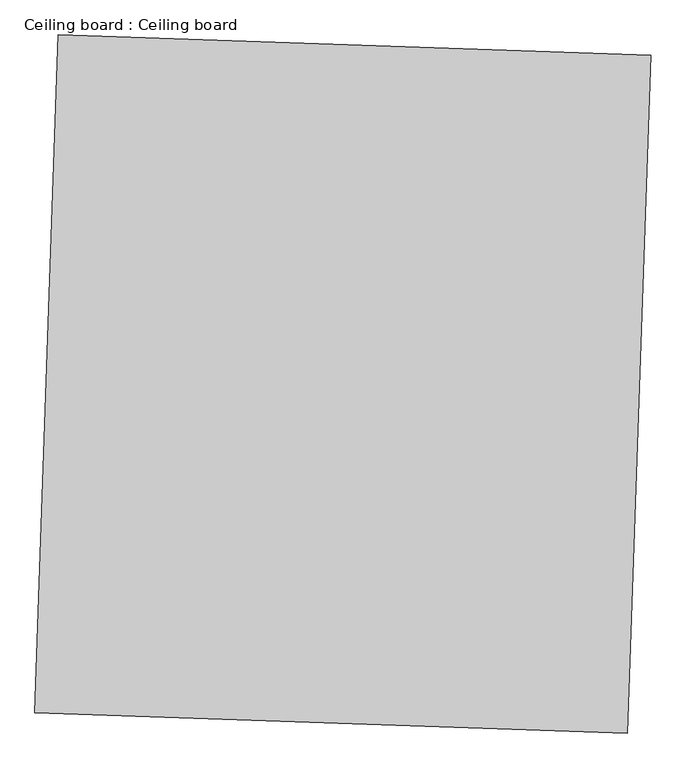
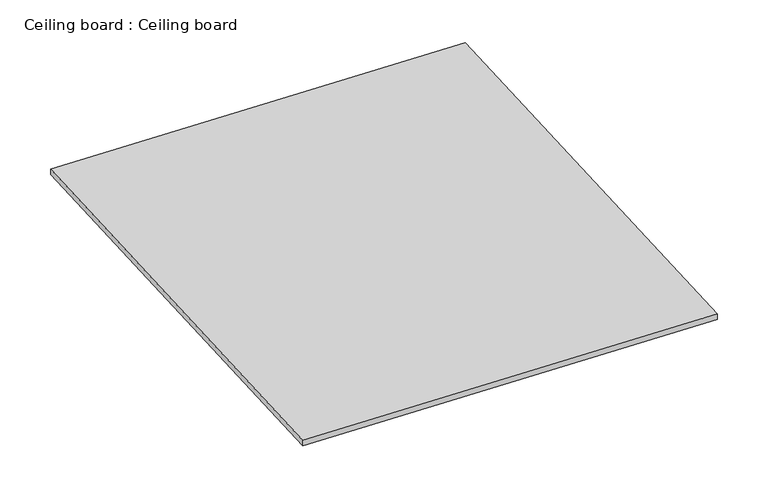
"""IFC4 building model written with IfcOpenShell, lengths in millimetres: proxy geometry, Ceiling board : Ceiling board."""

import ifcopenshell
import ifcopenshell.guid

model = None  # the IFC model being written
_history = None  # IfcOwnerHistory: only IFC2X3 demands one
_inside = {}  # id of a spatial element -> (the spatial element, [elements in it])
_under = {}  # id of a project, library or spatial element -> (it, [spatial elements below it])
_declared = {}  # id of a project -> (the project, [libraries it declares])
_typed = {}  # id of a type object -> (the type object, [elements of that type])
_made_of = {}  # id of a material, layer set ... -> (it, [elements and type objects made of it])


def new_model(schema):
    """Start an empty IFC model of exactly this schema.

    Asked for "IFC4X3", IfcOpenShell would pick the latest addendum, in which some entities
    have other attributes; the version numbers below select the first issue.
    IFC2X3 requires an IfcOwnerHistory on every rooted entity: one is made here for all.
    """
    global model, _history
    if schema == "IFC4X3":
        model = ifcopenshell.file(schema_version=(4, 3, 0, 0))
    else:
        model = ifcopenshell.file(schema=schema)
    _inside.clear()
    _under.clear()
    _declared.clear()
    _typed.clear()
    _made_of.clear()
    _history = None
    if model.schema == "IFC2X3":
        org = make("IfcOrganization", Name="unknown")
        user = make(
            "IfcPersonAndOrganization",
            ThePerson=make("IfcPerson", FamilyName="unknown"),
            TheOrganization=org,
        )
        app = make(
            "IfcApplication",
            ApplicationDeveloper=org,
            Version="unknown",
            ApplicationFullName="unknown",
            ApplicationIdentifier="unknown",
        )
        _history = make(
            "IfcOwnerHistory",
            OwningUser=user,
            OwningApplication=app,
            ChangeAction="ADDED",
            CreationDate=0,
        )
    return model


def make(cls, **values):
    """One entity of the class cls with the attributes given. An attribute that is None is left unset."""
    return model.create_entity(
        cls, **{name: value for name, value in values.items() if value is not None}
    )


def rooted(cls, **values):
    """An entity with a GlobalId (a new one), such as an element, a storey or a relation."""
    return make(cls, GlobalId=ifcopenshell.guid.new(), OwnerHistory=_history, **values)


def si_unit(unit_type, name, prefix=None):
    """IfcSIUnit, for example si_unit("LENGTHUNIT", "METRE", prefix="MILLI")."""
    return make("IfcSIUnit", UnitType=unit_type, Prefix=prefix, Name=name)


def assignment(units):
    """IfcUnitAssignment: the units of a project."""
    return None if units is None else make("IfcUnitAssignment", Units=units)


def point(xyz):
    """IfcCartesianPoint."""
    return None if xyz is None else make("IfcCartesianPoint", Coordinates=xyz)


def direction(xyz):
    """IfcDirection."""
    return None if xyz is None else make("IfcDirection", DirectionRatios=xyz)


def frame(location, z_axis=None, x_axis=None):
    """IfcAxis2Placement3D, a coordinate frame: its origin and axes. An axis left out is left unset."""
    return make(
        "IfcAxis2Placement3D",
        Location=point(location),
        Axis=direction(z_axis),
        RefDirection=direction(x_axis),
    )


def origin():
    """The frame at (0, 0, 0) with its axes left unset."""
    return frame((0.0, 0.0, 0.0))


def place(relative_to, where):
    """IfcLocalPlacement: puts the frame where relative to a parent placement (None: the world)."""
    return make(
        "IfcLocalPlacement", PlacementRelTo=relative_to, RelativePlacement=where
    )


def context(
    kind, dimensions, precision=None, world=None, true_north=None, identifier=None
):
    """IfcGeometricRepresentationContext, for example the 3D "Model" context."""
    return make(
        "IfcGeometricRepresentationContext",
        ContextIdentifier=identifier,
        ContextType=kind,
        CoordinateSpaceDimension=dimensions,
        Precision=precision,
        WorldCoordinateSystem=world,
        TrueNorth=true_north,
    )


def project(units=None, contexts=None):
    """IfcProject with its units and contexts."""
    return rooted(
        "IfcProject",
        Name="project",
        RepresentationContexts=contexts,
        UnitsInContext=assignment(units),
    )


def spatial(cls, under=None, at=None, **own):
    """A site, building, storey or space (cls), placed at a placement, below another one or the project."""
    s = rooted(cls, ObjectPlacement=at, **own)
    if under is not None:
        _under.setdefault(under.id(), (under, []))[1].append(s)
    return s


def polyline(points):
    """IfcPolyline through the points."""
    return make("IfcPolyline", Points=[point(p) for p in points])


def outline(outer, holes=None, kind="AREA"):
    """IfcArbitraryClosedProfileDef: a profile drawn as a closed curve; with holes, ...WithVoids."""
    if holes is None:
        return make("IfcArbitraryClosedProfileDef", ProfileType=kind, OuterCurve=outer)
    return make(
        "IfcArbitraryProfileDefWithVoids",
        ProfileType=kind,
        OuterCurve=outer,
        InnerCurves=holes,
    )


def extrude(swept, where, along, depth):
    """IfcExtrudedAreaSolid: the profile swept, set in the frame where, extruded along a direction by depth."""
    return make(
        "IfcExtrudedAreaSolid",
        SweptArea=swept,
        Position=where,
        ExtrudedDirection=direction(along),
        Depth=depth,
    )


def shape(context_of_items, identifier, shape_type, items):
    """IfcShapeRepresentation: the items that make up one representation, for example the "Body"."""
    return make(
        "IfcShapeRepresentation",
        ContextOfItems=context_of_items,
        RepresentationIdentifier=identifier,
        RepresentationType=shape_type,
        Items=items,
    )


def source(mapping_origin, context_of_items, identifier, shape_type, items):
    """IfcRepresentationMap: a shape defined once, which mapped items show again and again."""
    return make(
        "IfcRepresentationMap",
        MappingOrigin=mapping_origin,
        MappedRepresentation=shape(context_of_items, identifier, shape_type, items),
    )


def transform(
    local_origin,
    x_axis=None,
    y_axis=None,
    z_axis=None,
    scale=None,
    scale2=None,
    scale3=None,
    uniform=True,
):
    """IfcCartesianTransformationOperator3D, or its non-uniform kind. x_axis, y_axis, z_axis: its Axis1, 2, 3."""
    if uniform:
        return make(
            "IfcCartesianTransformationOperator3D",
            Axis1=direction(x_axis),
            Axis2=direction(y_axis),
            LocalOrigin=point(local_origin),
            Scale=scale,
            Axis3=direction(z_axis),
        )
    return make(
        "IfcCartesianTransformationOperator3DnonUniform",
        Axis1=direction(x_axis),
        Axis2=direction(y_axis),
        LocalOrigin=point(local_origin),
        Scale=scale,
        Axis3=direction(z_axis),
        Scale2=scale2,
        Scale3=scale3,
    )


def mapped(mapping_source, mapping_target):
    """IfcMappedItem: shows the shape of a source again, moved by a transform."""
    return make(
        "IfcMappedItem", MappingSource=mapping_source, MappingTarget=mapping_target
    )


def made_of(thing, what):
    """Note that an element or type object is made of a material, layer set ...; save() writes the relation."""
    if what is not None:
        _made_of.setdefault(what.id(), (what, []))[1].append(thing)
    return thing


def element(
    cls,
    number,
    at=None,
    inside=None,
    cuts=None,
    type_object=None,
    material=None,
    context=None,
    identifier="Body",
    shape_type=None,
    held_by="IfcProductDefinitionShape",
    body=None,
    shapes=None,
    **own,
):
    """One element of the class cls, such as IfcWall. Its Tag is "e" and its number.

    at: its placement. inside: the storey or other place that contains it. cuts: it is an
    opening in that element (IfcRelVoidsElement). A single representation is given by context,
    identifier, shape_type and body (its items); several are given by shapes. held_by: the class
    of the entity that holds the representations. save() writes the other relations.
    """
    e = rooted(cls, Tag="e%d" % number, ObjectPlacement=at, **own)
    if body is not None:
        shapes = [shape(context, identifier, shape_type, body)]
    if shapes is not None:
        e.Representation = make(held_by, Representations=shapes)
    if inside is not None:
        _inside.setdefault(inside.id(), (inside, []))[1].append(e)
    if cuts is not None:
        rooted(
            "IfcRelVoidsElement", RelatingBuildingElement=cuts, RelatedOpeningElement=e
        )
    if type_object is not None:
        _typed.setdefault(type_object.id(), (type_object, []))[1].append(e)
    return made_of(e, material)


def aggregate(whole, parts):
    """IfcRelAggregates: a whole, such as a stair, and the parts it consists of."""
    return rooted("IfcRelAggregates", RelatingObject=whole, RelatedObjects=parts)


def save(model, path):
    """Write the relations noted so far, then the file.

    IfcRelAggregates (storeys below a building ...), IfcRelContainedInSpatialStructure (elements
    in a storey), IfcRelDefinesByType, IfcRelAssociatesMaterial and IfcRelDeclares: one each for
    every whole, place, type object, material and project.
    """
    for whole, parts in _under.values():
        aggregate(whole, parts)
    for where, things in _inside.values():
        rooted(
            "IfcRelContainedInSpatialStructure",
            RelatedElements=things,
            RelatingStructure=where,
        )
    for kind, things in _typed.values():
        rooted("IfcRelDefinesByType", RelatedObjects=things, RelatingType=kind)
    for what, things in _made_of.values():
        rooted("IfcRelAssociatesMaterial", RelatedObjects=things, RelatingMaterial=what)
    for by, libraries in _declared.values():
        rooted("IfcRelDeclares", RelatingContext=by, RelatedDefinitions=libraries)
    model.write(path)


def ceiling_board_ceiling_board_07fe43fd(model_context):
    return source(origin(), model_context, "Body", "SweptSolid", [
        extrude(outline(polyline([(34340.9282681, -15869.25975), (34305.1815504, -16913.8194835), (33391.316522, -16882.5453743), (33427.0632397, -15837.9856407), (34340.9282681, -15869.25975)])), frame((0.0, 0.0, 2959.0776117), z_axis=(0.0, 0.0, 1.0), x_axis=(1.0, 0.0, 0.0)), (0.0, 0.0, 1.0), 12.6548302),
    ])


if __name__ == "__main__":
    model = new_model("IFC4")
    model_context = context("Model", 3, world=origin())
    ifc_project = project(units=[si_unit("LENGTHUNIT", "METRE", prefix="MILLI")], contexts=[model_context])
    site = spatial("IfcSite", under=ifc_project)
    building = spatial("IfcBuilding", under=site)
    placement = place(None, origin())
    ceiling_board_ceiling_board_shape = ceiling_board_ceiling_board_07fe43fd(model_context)
    element("IfcBuildingElementProxy", 1, Name="Ceiling board : Ceiling board", ObjectType="Ceiling board : Ceiling board", at=placement, inside=building, context=model_context, shape_type="MappedRepresentation", body=[
        mapped(ceiling_board_ceiling_board_shape, transform((0.0, 0.0, 0.0), x_axis=(1.0, 0.0, 0.0), y_axis=(0.0, 1.0, 0.0), z_axis=(0.0, 0.0, 1.0))),
    ])
    save(model, "model.ifc")
